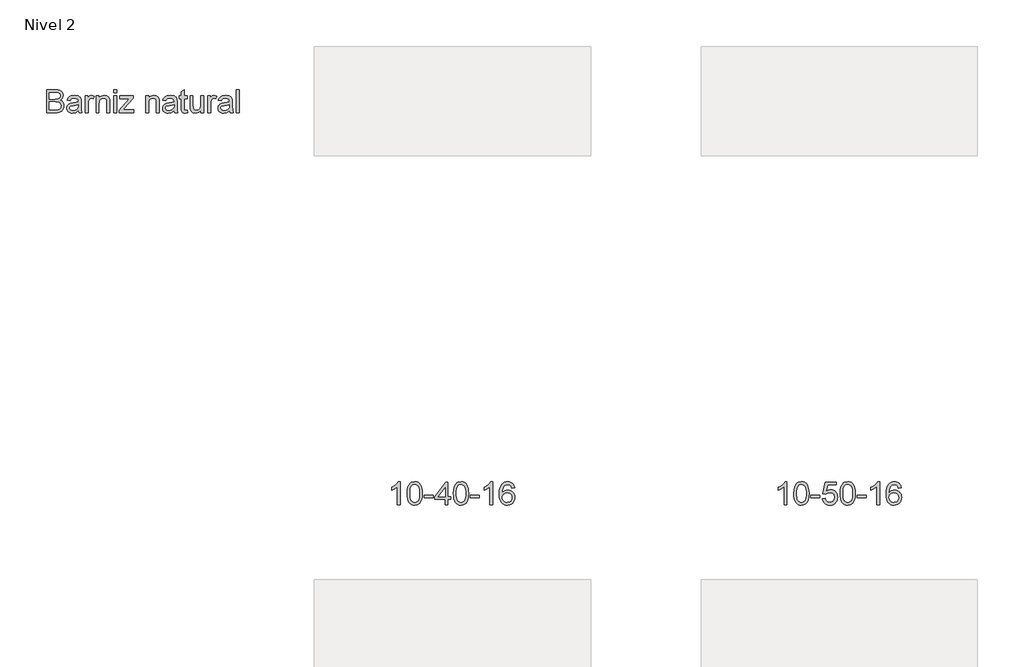
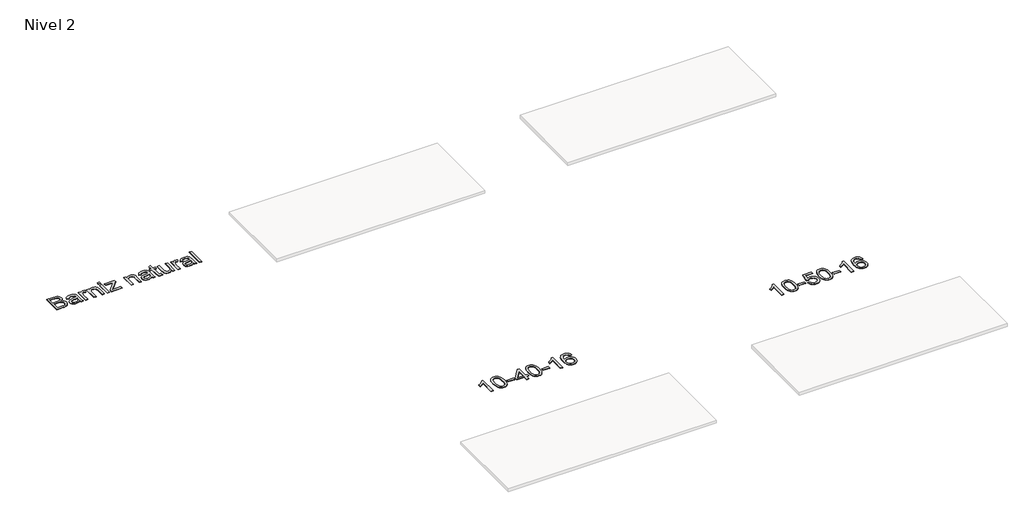
# One storey, part 10 of 51: 3 proxies.
"""IFC4 building model written with IfcOpenShell, lengths in millimetres."""

from ifc_helpers import new_model, si_unit, frame, origin, place, context, project, spatial, polyline, outline, extrude, element, save

model = new_model("IFC4")

# Units and contexts
model_context = context("Model", 3, world=origin())
ifc_project = project(units=[si_unit("LENGTHUNIT", "METRE", prefix="MILLI")], contexts=[model_context])

# Site, building, storey
site = spatial("IfcSite", under=ifc_project)
building = spatial("IfcBuilding", under=site)
storey = spatial("IfcBuildingStorey", under=building, Name="Nivel 2", Elevation=3000.0)

# Proxies
placement = place(None, origin())
element("IfcBuildingElementProxy", 1, Name="Texto de modelo 1", ObjectType="Texto de modelo 1", at=placement, inside=storey, context=model_context, shape_type="SweptSolid", body=[
    extrude(outline(polyline([(-14747.8507621, -44963.543941), (-14747.8507621, -44561.7187004), (-14594.5175465, -44561.7187004), (-14552.3460071, -44564.6740191), (-14519.4205686, -44573.5399752), (-14494.1838637, -44588.5372979), (-14475.0785254, -44609.8867163), (-14463.0487842, -44635.0007939), (-14459.0388704, -44661.2920938), (-14462.4111221, -44685.4864663), (-14472.5278769, -44708.2338364), (-14489.4627114, -44728.1362523), (-14513.289202, -44743.7957626), (-14484.8273983, -44758.6581952), (-14463.7968109, -44781.2706752), (-14450.8105765, -44810.137149), (-14446.4818317, -44843.7615634), (-14449.4371504, -44871.7819087), (-14458.3031064, -44897.7666403), (-14471.5345955, -44919.8640855), (-14487.5865133, -44936.2225715), (-14507.2436745, -44948.0683718), (-14531.2908943, -44956.6277595), (-14560.5129874, -44961.8148957), (-14595.6947689, -44963.543941), (-14747.8507621, -44963.543941)]), holes=[polyline([(-14697.622607, -44724.9602044), (-14605.8973629, -44724.9602044), (-14552.3337444, -44720.6437224), (-14533.5840254, -44713.2002433), (-14520.1072816, -44702.0534189), (-14511.9770895, -44687.3749273), (-14509.2670255, -44669.3364468), (-14511.7931485, -44651.8252638), (-14519.3715176, -44636.5704237), (-14531.6587763, -44624.6633098), (-14548.3115679, -44617.1953053), (-14573.8671039, -44613.258968), (-14612.8625954, -44611.9468555), (-14697.622607, -44611.9468555), (-14697.622607, -44724.9602044)]), polyline([(-14697.622607, -44913.315786), (-14594.6156484, -44913.315786), (-14557.3369395, -44911.3537487), (-14525.7971898, -44900.4153907), (-14514.2211697, -44890.9853489), (-14504.9014925, -44878.0972163), (-14498.7578632, -44862.3273414), (-14496.7099867, -44844.2520727), (-14499.1134824, -44823.2582735), (-14506.3239695, -44805.2075303), (-14518.9177965, -44791.0931244), (-14537.4713118, -44781.9083373), (-14563.750349, -44776.868354), (-14599.5207417, -44775.1883595), (-14697.622607, -44775.1883595), (-14697.622607, -44913.315786)])]), frame((0.0, 0.0, 3000.0), z_axis=(0.0, 0.0, 1.0), x_axis=(1.0, 0.0, 0.0)), (0.0, 0.0, 1.0), 10.0),
    extrude(outline(polyline([(-14195.3410563, -44925.8728247), (-14219.3392251, -44946.449691), (-14244.0486325, -44959.914172), (-14270.033364, -44967.3453883), (-14297.8575056, -44969.8224604), (-14320.2216652, -44968.3325383), (-14339.8328413, -44963.8627721), (-14356.6910337, -44956.4131617), (-14370.7962425, -44945.9837071), (-14381.9338699, -44933.236596), (-14389.8893181, -44918.8340159), (-14394.662587, -44902.7759668), (-14396.2536766, -44885.0624487), (-14393.8501809, -44864.2403278), (-14386.6396938, -44845.3311933), (-14375.5173948, -44829.1443855), (-14361.3784634, -44816.4892448), (-14344.76246, -44806.924313), (-14326.2089447, -44800.0081314), (-14282.7498183, -44792.4542878), (-14231.3934918, -44784.5080367), (-14195.6353619, -44775.1883595), (-14195.3410563, -44764.0047469), (-14198.799147, -44741.5884706), (-14209.1734193, -44726.9222417), (-14232.3745105, -44716.0329347), (-14264.6990751, -44712.4031657), (-14294.6201441, -44714.8189241), (-14315.5158414, -44722.0661994), (-14329.7651373, -44735.4693668), (-14339.7470021, -44756.3528014), (-14389.9751572, -44750.074282), (-14381.2563539, -44722.6057597), (-14368.245594, -44701.0233493), (-14349.7288669, -44684.5177104), (-14324.4921621, -44672.2795027), (-14293.6268627, -44664.7011336), (-14258.224352, -44662.1750106), (-14224.2688438, -44664.406828), (-14197.3521445, -44671.1022803), (-14177.0573211, -44681.1699843), (-14162.9674407, -44693.5185566), (-14153.623238, -44708.7856594), (-14147.5654479, -44727.6089548), (-14145.1129012, -44771.5585905), (-14145.1129012, -44834.0494787), (-14142.5622527, -44921.311088), (-14132.5558624, -44963.543941), (-14182.7840175, -44963.543941), (-14190.8283705, -44946.081809), (-14195.3410563, -44925.8728247)]), holes=[polyline([(-14195.3410563, -44825.4165146), (-14229.088098, -44833.7796986), (-14276.3731971, -44840.8185074), (-14319.5870688, -44848.9609623), (-14330.8319951, -44854.5282431), (-14339.1583909, -44862.2047141), (-14344.3087389, -44871.401764), (-14346.0255215, -44881.5307816), (-14342.2853879, -44896.4667906), (-14331.064987, -44908.7049983), (-14312.6095736, -44916.8719786), (-14287.1644023, -44919.5943053), (-14260.1863893, -44916.5899357), (-14236.347636, -44907.5768268), (-14217.0215685, -44894.2962868), (-14203.581613, -44878.4896238), (-14197.6219247, -44862.2047141), (-14195.6353619, -44839.6412851), (-14195.3410563, -44825.4165146)])]), frame((0.0, 0.0, 3000.0), z_axis=(0.0, 0.0, 1.0), x_axis=(1.0, 0.0, 0.0)), (0.0, 0.0, 1.0), 10.0),
    extrude(outline(polyline([(-14076.049188, -44963.543941), (-14076.049188, -44668.45353), (-14032.0995523, -44668.45353), (-14032.0995523, -44712.1088601), (-14015.8636936, -44686.7985788), (-14000.9031591, -44671.8870953), (-13985.8935737, -44664.6030318), (-13969.5105622, -44662.1750106), (-13944.4945865, -44666.0500343), (-13919.0862034, -44677.6751053), (-13935.8616224, -44722.7038615), (-13953.5199581, -44714.9783396), (-13971.1782939, -44712.4031657), (-13986.1756166, -44714.8802378), (-13999.5787839, -44722.3114541), (-14010.4067773, -44734.1327288), (-14017.6785781, -44749.7799764), (-14023.7854192, -44777.8371099), (-14025.8210329, -44808.4448919), (-14025.8210329, -44963.543941), (-14076.049188, -44963.543941)])), frame((0.0, 0.0, 3000.0), z_axis=(0.0, 0.0, 1.0), x_axis=(1.0, 0.0, 0.0)), (0.0, 0.0, 1.0), 10.0),
    extrude(outline(polyline([(-13887.6936065, -44963.543941), (-13887.6936065, -44668.45353), (-13837.4654514, -44668.45353), (-13837.4654514, -44709.6563134), (-13820.0155821, -44688.8832434), (-13799.0585711, -44674.0453363), (-13774.5944184, -44665.142592), (-13746.623124, -44662.1750106), (-13721.8646658, -44664.5662436), (-13699.1908721, -44671.7399425), (-13680.2817376, -44682.8009278), (-13666.8172566, -44696.85402), (-13657.6815203, -44713.8624309), (-13651.7586202, -44733.7893723), (-13649.1098699, -44782.3497957), (-13649.1098699, -44963.543941), (-13699.3380249, -44963.543941), (-13699.3380249, -44789.1188244), (-13700.7850274, -44763.1463555), (-13705.126035, -44744.6786794), (-13713.1335997, -44731.4471903), (-13725.5802739, -44721.1832826), (-13741.5340898, -44714.5981949), (-13760.0630796, -44712.4031657), (-13789.4813765, -44717.3327844), (-13814.5586658, -44732.1216406), (-13824.5803845, -44744.1943014), (-13831.738755, -44760.6938089), (-13836.0337773, -44781.6201631), (-13837.4654514, -44806.9733639), (-13837.4654514, -44963.543941), (-13887.6936065, -44963.543941)])), frame((0.0, 0.0, 3000.0), z_axis=(0.0, 0.0, 1.0), x_axis=(1.0, 0.0, 0.0)), (0.0, 0.0, 1.0), 10.0),
    extrude(outline(polyline([(-13580.0461566, -44611.9468555), (-13580.0461566, -44561.7187004), (-13529.8180016, -44561.7187004), (-13529.8180016, -44611.9468555), (-13580.0461566, -44611.9468555)])), frame((0.0, 0.0, 3000.0), z_axis=(0.0, 0.0, 1.0), x_axis=(1.0, 0.0, 0.0)), (0.0, 0.0, 1.0), 10.0),
    extrude(outline(polyline([(-13580.0461566, -44963.543941), (-13580.0461566, -44668.45353), (-13529.8180016, -44668.45353), (-13529.8180016, -44963.543941), (-13580.0461566, -44963.543941)])), frame((0.0, 0.0, 3000.0), z_axis=(0.0, 0.0, 1.0), x_axis=(1.0, 0.0, 0.0)), (0.0, 0.0, 1.0), 10.0),
    extrude(outline(polyline([(-13485.8683659, -44963.543941), (-13485.8683659, -44916.2588419), (-13312.5223697, -44718.681685), (-13363.8296453, -44718.681685), (-13473.3113271, -44718.681685), (-13473.3113271, -44668.45353), (-13241.0061099, -44668.45353), (-13241.0061099, -44711.1278414), (-13394.7317329, -44886.4358748), (-13418.2761806, -44913.315786), (-13360.1998763, -44913.315786), (-13234.7275905, -44913.315786), (-13234.7275905, -44963.543941), (-13485.8683659, -44963.543941)])), frame((0.0, 0.0, 3000.0), z_axis=(0.0, 0.0, 1.0), x_axis=(1.0, 0.0, 0.0)), (0.0, 0.0, 1.0), 10.0),
    extrude(outline(polyline([(-13027.5364508, -44963.543941), (-13027.5364508, -44668.45353), (-12977.3082957, -44668.45353), (-12977.3082957, -44709.6563134), (-12959.8584264, -44688.8832434), (-12938.9014154, -44674.0453363), (-12914.4372628, -44665.142592), (-12886.4659684, -44662.1750106), (-12861.7075101, -44664.5662436), (-12839.0337165, -44671.7399425), (-12820.1245819, -44682.8009278), (-12806.6601009, -44696.85402), (-12797.5243647, -44713.8624309), (-12791.6014646, -44733.7893723), (-12788.9527142, -44782.3497957), (-12788.9527142, -44963.543941), (-12839.1808693, -44963.543941), (-12839.1808693, -44789.1188244), (-12840.6278718, -44763.1463555), (-12844.9688793, -44744.6786794), (-12852.9764441, -44731.4471903), (-12865.4231183, -44721.1832826), (-12881.3769341, -44714.5981949), (-12899.9059239, -44712.4031657), (-12929.3242208, -44717.3327844), (-12954.4015102, -44732.1216406), (-12964.4232288, -44744.1943014), (-12971.5815993, -44760.6938089), (-12975.8766216, -44781.6201631), (-12977.3082957, -44806.9733639), (-12977.3082957, -44963.543941), (-13027.5364508, -44963.543941)])), frame((0.0, 0.0, 3000.0), z_axis=(0.0, 0.0, 1.0), x_axis=(1.0, 0.0, 0.0)), (0.0, 0.0, 1.0), 10.0),
    extrude(outline(polyline([(-12531.5334194, -44925.8728247), (-12555.5315883, -44946.449691), (-12580.2409956, -44959.914172), (-12606.2257272, -44967.3453883), (-12634.0498688, -44969.8224604), (-12656.4140284, -44968.3325383), (-12676.0252044, -44963.8627721), (-12692.8833968, -44956.4131617), (-12706.9886057, -44945.9837071), (-12718.1262331, -44933.236596), (-12726.0816812, -44918.8340159), (-12730.8549501, -44902.7759668), (-12732.4460397, -44885.0624487), (-12730.042544, -44864.2403278), (-12722.8320569, -44845.3311933), (-12711.7097579, -44829.1443855), (-12697.5708266, -44816.4892448), (-12680.9548231, -44806.924313), (-12662.4013079, -44800.0081314), (-12618.9421815, -44792.4542878), (-12567.585855, -44784.5080367), (-12531.827725, -44775.1883595), (-12531.5334194, -44764.0047469), (-12534.9915102, -44741.5884706), (-12545.3657825, -44726.9222417), (-12568.5668736, -44716.0329347), (-12600.8914383, -44712.4031657), (-12630.8125072, -44714.8189241), (-12651.7082045, -44722.0661994), (-12665.9575005, -44735.4693668), (-12675.9393653, -44756.3528014), (-12726.1675204, -44750.074282), (-12717.4487171, -44722.6057597), (-12704.4379572, -44701.0233493), (-12685.9212301, -44684.5177104), (-12660.6845252, -44672.2795027), (-12629.8192258, -44664.7011336), (-12594.4167151, -44662.1750106), (-12560.461207, -44664.406828), (-12533.5445077, -44671.1022803), (-12513.2496843, -44681.1699843), (-12499.1598039, -44693.5185566), (-12489.8156012, -44708.7856594), (-12483.757811, -44727.6089548), (-12481.3052644, -44771.5585905), (-12481.3052644, -44834.0494787), (-12478.7546159, -44921.311088), (-12468.7482256, -44963.543941), (-12518.9763807, -44963.543941), (-12527.0207336, -44946.081809), (-12531.5334194, -44925.8728247)]), holes=[polyline([(-12531.5334194, -44825.4165146), (-12565.2804611, -44833.7796986), (-12612.5655602, -44840.8185074), (-12655.7794319, -44848.9609623), (-12667.0243583, -44854.5282431), (-12675.3507541, -44862.2047141), (-12680.501102, -44871.401764), (-12682.2178847, -44881.5307816), (-12678.477751, -44896.4667906), (-12667.2573502, -44908.7049983), (-12648.8019368, -44916.8719786), (-12623.3567654, -44919.5943053), (-12596.3787525, -44916.5899357), (-12572.5399992, -44907.5768268), (-12553.2139317, -44894.2962868), (-12539.7739761, -44878.4896238), (-12533.8142878, -44862.2047141), (-12531.827725, -44839.6412851), (-12531.5334194, -44825.4165146)])]), frame((0.0, 0.0, 3000.0), z_axis=(0.0, 0.0, 1.0), x_axis=(1.0, 0.0, 0.0)), (0.0, 0.0, 1.0), 10.0),
    extrude(outline(polyline([(-12305.5067216, -44921.6544445), (-12299.2282022, -44965.015469), (-12336.8012167, -44969.8224604), (-12360.9097501, -44967.7377958), (-12378.8869169, -44961.4838019), (-12391.5911085, -44951.8452936), (-12399.8807161, -44939.6070859), (-12404.4424528, -44918.5887612), (-12405.9630318, -44882.6099021), (-12405.9630318, -44718.681685), (-12443.6341481, -44718.681685), (-12443.6341481, -44668.45353), (-12405.9630318, -44668.45353), (-12405.9630318, -44596.7410664), (-12355.7348767, -44567.2124049), (-12355.7348767, -44668.45353), (-12305.5067216, -44668.45353), (-12305.5067216, -44718.681685), (-12355.7348767, -44718.681685), (-12355.7348767, -44881.1383741), (-12353.0861263, -44907.0372666), (-12344.5022131, -44916.209791), (-12327.3834376, -44919.5943053), (-12305.5067216, -44921.6544445)])), frame((0.0, 0.0, 3000.0), z_axis=(0.0, 0.0, 1.0), x_axis=(1.0, 0.0, 0.0)), (0.0, 0.0, 1.0), 10.0),
    extrude(outline(polyline([(-12066.922985, -44963.543941), (-12066.922985, -44912.8252766), (-12085.0963556, -44937.7615445), (-12106.261833, -44955.5731645), (-12130.4194174, -44966.2601364), (-12157.5691086, -44969.8224604), (-12182.0332613, -44967.3208629), (-12204.8051568, -44959.8160702), (-12223.9104951, -44948.5343556), (-12237.3749761, -44934.7019926), (-12246.4371359, -44917.9020482), (-12252.3355106, -44897.7175894), (-12255.2785665, -44851.0211014), (-12255.2785665, -44668.45353), (-12205.0504115, -44668.45353), (-12205.0504115, -44827.3785519), (-12202.0092536, -44878.5877256), (-12194.6884019, -44895.6697129), (-12182.1436259, -44908.6559474), (-12165.2087914, -44916.8597158), (-12144.7177642, -44919.5943053), (-12123.0495147, -44916.7984022), (-12102.7792168, -44908.4106927), (-12086.0651115, -44895.2037291), (-12075.0654398, -44877.9500635), (-12068.9585987, -44854.3197767), (-12066.922985, -44821.9829493), (-12066.922985, -44668.45353), (-12016.6948299, -44668.45353), (-12016.6948299, -44963.543941), (-12066.922985, -44963.543941)])), frame((0.0, 0.0, 3000.0), z_axis=(0.0, 0.0, 1.0), x_axis=(1.0, 0.0, 0.0)), (0.0, 0.0, 1.0), 10.0),
    extrude(outline(polyline([(-11947.6311167, -44963.543941), (-11947.6311167, -44668.45353), (-11903.681481, -44668.45353), (-11903.681481, -44712.1088601), (-11887.4456223, -44686.7985788), (-11872.4850878, -44671.8870953), (-11857.4755024, -44664.6030318), (-11841.0924909, -44662.1750106), (-11816.0765152, -44666.0500343), (-11790.6681321, -44677.6751053), (-11807.4435511, -44722.7038615), (-11825.1018868, -44714.9783396), (-11842.7602226, -44712.4031657), (-11857.7575453, -44714.8802378), (-11871.1607126, -44722.3114541), (-11881.988706, -44734.1327288), (-11889.2605068, -44749.7799764), (-11895.3673479, -44777.8371099), (-11897.4029616, -44808.4448919), (-11897.4029616, -44963.543941), (-11947.6311167, -44963.543941)])), frame((0.0, 0.0, 3000.0), z_axis=(0.0, 0.0, 1.0), x_axis=(1.0, 0.0, 0.0)), (0.0, 0.0, 1.0), 10.0),
    extrude(outline(polyline([(-11570.9199536, -44925.8728247), (-11594.9181225, -44946.449691), (-11619.6275298, -44959.914172), (-11645.6122614, -44967.3453883), (-11673.436403, -44969.8224604), (-11695.8005626, -44968.3325383), (-11715.4117386, -44963.8627721), (-11732.269931, -44956.4131617), (-11746.3751399, -44945.9837071), (-11757.5127673, -44933.236596), (-11765.4682154, -44918.8340159), (-11770.2414843, -44902.7759668), (-11771.8325739, -44885.0624487), (-11769.4290782, -44864.2403278), (-11762.2185911, -44845.3311933), (-11751.0962921, -44829.1443855), (-11736.9573608, -44816.4892448), (-11720.3413573, -44806.924313), (-11701.7878421, -44800.0081314), (-11658.3287157, -44792.4542878), (-11606.9723892, -44784.5080367), (-11571.2142592, -44775.1883595), (-11570.9199536, -44764.0047469), (-11574.3780444, -44741.5884706), (-11584.7523167, -44726.9222417), (-11607.9534078, -44716.0329347), (-11640.2779725, -44712.4031657), (-11670.1990414, -44714.8189241), (-11691.0947387, -44722.0661994), (-11705.3440347, -44735.4693668), (-11715.3258995, -44756.3528014), (-11765.5540545, -44750.074282), (-11756.8352513, -44722.6057597), (-11743.8244914, -44701.0233493), (-11725.3077643, -44684.5177104), (-11700.0710594, -44672.2795027), (-11669.20576, -44664.7011336), (-11633.8032493, -44662.1750106), (-11599.8477412, -44664.406828), (-11572.9310419, -44671.1022803), (-11552.6362185, -44681.1699843), (-11538.5463381, -44693.5185566), (-11529.2021354, -44708.7856594), (-11523.1443452, -44727.6089548), (-11520.6917986, -44771.5585905), (-11520.6917986, -44834.0494787), (-11518.1411501, -44921.311088), (-11508.1347598, -44963.543941), (-11558.3629149, -44963.543941), (-11566.4072678, -44946.081809), (-11570.9199536, -44925.8728247)]), holes=[polyline([(-11570.9199536, -44825.4165146), (-11604.6669953, -44833.7796986), (-11651.9520944, -44840.8185074), (-11695.1659661, -44848.9609623), (-11706.4108925, -44854.5282431), (-11714.7372883, -44862.2047141), (-11719.8876362, -44871.401764), (-11721.6044189, -44881.5307816), (-11717.8642852, -44896.4667906), (-11706.6438844, -44908.7049983), (-11688.188471, -44916.8719786), (-11662.7432996, -44919.5943053), (-11635.7652867, -44916.5899357), (-11611.9265334, -44907.5768268), (-11592.6004659, -44894.2962868), (-11579.1605103, -44878.4896238), (-11573.200822, -44862.2047141), (-11571.2142592, -44839.6412851), (-11570.9199536, -44825.4165146)])]), frame((0.0, 0.0, 3000.0), z_axis=(0.0, 0.0, 1.0), x_axis=(1.0, 0.0, 0.0)), (0.0, 0.0, 1.0), 10.0),
    extrude(outline(polyline([(-11451.6280853, -44963.543941), (-11451.6280853, -44561.7187004), (-11401.3999303, -44561.7187004), (-11401.3999303, -44963.543941), (-11451.6280853, -44963.543941)])), frame((0.0, 0.0, 3000.0), z_axis=(0.0, 0.0, 1.0), x_axis=(1.0, 0.0, 0.0)), (0.0, 0.0, 1.0), 10.0),
])
element("IfcBuildingElementProxy", 2, Name="Texto de modelo 1", ObjectType="Texto de modelo 1", at=placement, inside=storey, context=model_context, shape_type="SweptSolid", body=[
    extrude(outline(polyline([(-8605.2655998, -51771.9246439), (-8655.4937549, -51771.9246439), (-8655.4937549, -51458.7834896), (-8676.4630286, -51475.7428496), (-8703.0731596, -51492.6776841), (-8755.950065, -51518.0370163), (-8755.950065, -51470.5557135), (-8716.5008524, -51449.0959304), (-8682.3246151, -51423.56492), (-8655.3833903, -51396.4152287), (-8637.6392154, -51370.0994033), (-8605.2655998, -51370.0994033), (-8605.2655998, -51771.9246439)])), frame((0.0, 0.0, 3000.0), z_axis=(0.0, 0.0, 1.0), x_axis=(1.0, 0.0, 0.0)), (0.0, 0.0, 1.0), 10.0),
    extrude(outline(polyline([(-8485.9737315, -51574.2493852), (-8482.2826488, -51509.9313497), (-8471.2094008, -51458.6363368), (-8452.8643519, -51419.5795317), (-8441.006289, -51404.3461514), (-8427.357867, -51391.9761193), (-8411.8731006, -51382.4050561), (-8394.5060048, -51375.5685823), (-8354.1248244, -51370.0994033), (-8323.1736859, -51373.3367649), (-8295.4599089, -51383.0488496), (-8272.2833433, -51398.8555126), (-8254.9438385, -51420.3766093), (-8241.8472395, -51447.4281987), (-8231.3993909, -51479.8263398), (-8224.5567857, -51520.9678096), (-8222.2759174, -51574.2493852), (-8225.9302119, -51638.1995387), (-8236.8930953, -51689.3719242), (-8255.1277795, -51728.4655176), (-8266.9582514, -51743.7448831), (-8280.5974763, -51756.1792945), (-8296.1006368, -51765.8147371), (-8313.5229149, -51772.6971961), (-8354.1248244, -51778.2031633), (-8381.7895505, -51775.8119304), (-8406.3150168, -51768.6382314), (-8427.7012235, -51756.6820666), (-8445.9481704, -51739.9434358), (-8463.4593534, -51709.6851417), (-8475.9673412, -51671.9833686), (-8483.4721339, -51626.8381164), (-8485.9737315, -51574.2493852)]), holes=[polyline([(-8435.7455764, -51574.1512833), (-8434.2740485, -51617.8158105), (-8429.8594645, -51653.1600732), (-8422.5018246, -51680.1840714), (-8412.2011287, -51698.8878052), (-8399.7421918, -51711.6134565), (-8385.9098288, -51720.7032075), (-8370.7040397, -51726.1570581), (-8354.1248244, -51727.9750082), (-8337.5456092, -51726.1509267), (-8322.3398201, -51720.678682), (-8308.507457, -51711.5582742), (-8296.0485201, -51698.7897033), (-8285.7478243, -51680.0553127), (-8278.3901844, -51653.0374458), (-8273.9756004, -51617.7361027), (-8272.5040724, -51574.1512833), (-8273.9265495, -51531.6425188), (-8278.1939806, -51496.9205898), (-8285.3063659, -51469.9854964), (-8295.2637052, -51450.8372385), (-8307.5141757, -51437.4892535), (-8321.5059542, -51427.9549784), (-8337.2390409, -51422.2344134), (-8354.7134356, -51420.3275584), (-8371.2068118, -51422.0075529), (-8386.1550835, -51427.0475362), (-8399.5582508, -51435.4475084), (-8411.4163138, -51447.2074695), (-8422.0603662, -51468.0541159), (-8429.6632608, -51496.1603004), (-8434.2249975, -51531.5260228), (-8435.7455764, -51574.1512833)])]), frame((0.0, 0.0, 3000.0), z_axis=(0.0, 0.0, 1.0), x_axis=(1.0, 0.0, 0.0)), (0.0, 0.0, 1.0), 10.0),
    extrude(outline(polyline([(-8190.8833205, -51652.6327756), (-8190.8833205, -51602.4046206), (-8033.9203358, -51602.4046206), (-8033.9203358, -51652.6327756), (-8190.8833205, -51652.6327756)])), frame((0.0, 0.0, 3000.0), z_axis=(0.0, 0.0, 1.0), x_axis=(1.0, 0.0, 0.0)), (0.0, 0.0, 1.0), 10.0),
    extrude(outline(polyline([(-7826.7291962, -51771.9246439), (-7826.7291962, -51677.7468532), (-8008.8062583, -51677.7468532), (-8008.8062583, -51627.5186981), (-7814.1721574, -51376.3779227), (-7776.5010411, -51376.3779227), (-7776.5010411, -51627.5186981), (-7726.272886, -51627.5186981), (-7726.272886, -51677.7468532), (-7776.5010411, -51677.7468532), (-7776.5010411, -51771.9246439), (-7826.7291962, -51771.9246439)]), holes=[polyline([(-7826.7291962, -51627.5186981), (-7826.7291962, -51472.3215471), (-7947.0020831, -51627.5186981), (-7826.7291962, -51627.5186981)])]), frame((0.0, 0.0, 3000.0), z_axis=(0.0, 0.0, 1.0), x_axis=(1.0, 0.0, 0.0)), (0.0, 0.0, 1.0), 10.0),
    extrude(outline(polyline([(-7682.3232503, -51574.2493852), (-7678.6321676, -51509.9313497), (-7667.5589196, -51458.6363368), (-7649.2138708, -51419.5795317), (-7637.3558078, -51404.3461514), (-7623.7073858, -51391.9761193), (-7608.2226194, -51382.4050561), (-7590.8555236, -51375.5685823), (-7550.4743432, -51370.0994033), (-7519.5232047, -51373.3367649), (-7491.8094277, -51383.0488496), (-7468.6328621, -51398.8555126), (-7451.2933573, -51420.3766093), (-7438.1967583, -51447.4281987), (-7427.7489097, -51479.8263398), (-7420.9063045, -51520.9678096), (-7418.6254362, -51574.2493852), (-7422.2797307, -51638.1995387), (-7433.2426141, -51689.3719242), (-7451.4772983, -51728.4655176), (-7463.3077702, -51743.7448831), (-7476.9469951, -51756.1792945), (-7492.4501556, -51765.8147371), (-7509.8724337, -51772.6971961), (-7550.4743432, -51778.2031633), (-7578.1390693, -51775.8119304), (-7602.6645356, -51768.6382314), (-7624.0507423, -51756.6820666), (-7642.2976892, -51739.9434358), (-7659.8088722, -51709.6851417), (-7672.31686, -51671.9833686), (-7679.8216528, -51626.8381164), (-7682.3232503, -51574.2493852)]), holes=[polyline([(-7632.0950952, -51574.1512833), (-7630.6235673, -51617.8158105), (-7626.2089833, -51653.1600732), (-7618.8513434, -51680.1840714), (-7608.5506476, -51698.8878052), (-7596.0917106, -51711.6134565), (-7582.2593476, -51720.7032075), (-7567.0535585, -51726.1570581), (-7550.4743432, -51727.9750082), (-7533.895128, -51726.1509267), (-7518.6893389, -51720.678682), (-7504.8569758, -51711.5582742), (-7492.3980389, -51698.7897033), (-7482.0973431, -51680.0553127), (-7474.7397032, -51653.0374458), (-7470.3251192, -51617.7361027), (-7468.8535913, -51574.1512833), (-7470.2760683, -51531.6425188), (-7474.5434994, -51496.9205898), (-7481.6558847, -51469.9854964), (-7491.613224, -51450.8372385), (-7503.8636945, -51437.4892535), (-7517.855473, -51427.9549784), (-7533.5885597, -51422.2344134), (-7551.0629544, -51420.3275584), (-7567.5563306, -51422.0075529), (-7582.5046023, -51427.0475362), (-7595.9077697, -51435.4475084), (-7607.7658326, -51447.2074695), (-7618.409885, -51468.0541159), (-7626.0127796, -51496.1603004), (-7630.5745163, -51531.5260228), (-7632.0950952, -51574.1512833)])]), frame((0.0, 0.0, 3000.0), z_axis=(0.0, 0.0, 1.0), x_axis=(1.0, 0.0, 0.0)), (0.0, 0.0, 1.0), 10.0),
    extrude(outline(polyline([(-7387.2328393, -51652.6327756), (-7387.2328393, -51602.4046206), (-7230.2698546, -51602.4046206), (-7230.2698546, -51652.6327756), (-7387.2328393, -51652.6327756)])), frame((0.0, 0.0, 3000.0), z_axis=(0.0, 0.0, 1.0), x_axis=(1.0, 0.0, 0.0)), (0.0, 0.0, 1.0), 10.0),
    extrude(outline(polyline([(-6997.9646374, -51771.9246439), (-7048.1927925, -51771.9246439), (-7048.1927925, -51458.7834896), (-7069.1620662, -51475.7428496), (-7095.7721972, -51492.6776841), (-7148.6491026, -51518.0370163), (-7148.6491026, -51470.5557135), (-7109.19989, -51449.0959304), (-7075.0236527, -51423.56492), (-7048.0824279, -51396.4152287), (-7030.338253, -51370.0994033), (-6997.9646374, -51370.0994033), (-6997.9646374, -51771.9246439)])), frame((0.0, 0.0, 3000.0), z_axis=(0.0, 0.0, 1.0), x_axis=(1.0, 0.0, 0.0)), (0.0, 0.0, 1.0), 10.0),
    extrude(outline(polyline([(-6621.2534744, -51476.8342329), (-6671.4816294, -51483.1127523), (-6679.5750333, -51458.2194039), (-6690.5133913, -51441.2232557), (-6713.2975496, -51425.5514827), (-6740.8396483, -51420.3275584), (-6764.1878922, -51423.3687162), (-6786.1627101, -51432.4921897), (-6805.0350564, -51451.7078926), (-6820.449312, -51478.1586081), (-6830.8603725, -51515.572207), (-6834.7231334, -51567.6765602), (-6814.5754628, -51544.1689007), (-6790.4301412, -51527.6019482), (-6763.6360692, -51517.7794989), (-6735.5421475, -51514.5053492), (-6711.4090886, -51516.743298), (-6689.1399652, -51523.4571444), (-6668.7347772, -51534.6468884), (-6650.1935247, -51550.31253), (-6634.7854004, -51569.5221016), (-6623.7795974, -51591.3436352), (-6617.1761156, -51615.7771311), (-6614.974955, -51642.8225891), (-6619.1197588, -51678.7891855), (-6631.5541702, -51712.131557), (-6651.2481197, -51740.4094197), (-6677.1715376, -51761.1824897), (-6708.1472016, -51773.9479949), (-6742.9978893, -51778.2031633), (-6772.940418, -51775.3827347), (-6799.9828104, -51766.9214488), (-6824.1250663, -51752.8193057), (-6845.3671858, -51733.0763052), (-6862.6852307, -51706.8585817), (-6875.0552628, -51673.3322692), (-6882.4772821, -51632.4973678), (-6884.9512885, -51584.3538773), (-6882.2044363, -51530.3794573), (-6873.9638796, -51484.3145001), (-6860.2296184, -51446.1590058), (-6841.0016528, -51415.9129745), (-6820.1611378, -51395.8695371), (-6795.9974221, -51381.5527961), (-6768.5105057, -51372.9627515), (-6737.7003886, -51370.0994033), (-6714.5667424, -51371.8713683), (-6693.6281255, -51377.1872631), (-6674.8845379, -51386.0470878), (-6658.3359795, -51398.4508424), (-6644.4300401, -51413.981594), (-6633.6143094, -51432.2224096), (-6625.8887875, -51453.1732892), (-6621.2534744, -51476.8342329)]), holes=[polyline([(-6834.7231334, -51642.0377742), (-6831.8168657, -51664.2946349), (-6823.0980624, -51685.5459515), (-6809.560005, -51703.8174239), (-6792.1959748, -51717.1347521), (-6771.2389638, -51725.2649442), (-6746.9219639, -51727.9750082), (-6713.7757962, -51722.3586765), (-6699.8606597, -51715.3382617), (-6687.7174882, -51705.5096811), (-6677.8674477, -51693.2714734), (-6670.8317046, -51679.0221774), (-6665.2031101, -51644.4903208), (-6670.7581282, -51611.344153), (-6677.7019008, -51597.7233222), (-6687.4231826, -51586.07066), (-6699.6031423, -51576.7356543), (-6713.9229489, -51570.0677932), (-6748.9821031, -51564.7335043), (-6782.0792199, -51570.0677932), (-6809.7562087, -51586.07066), (-6820.6792383, -51597.570038), (-6828.4814022, -51610.7310164), (-6833.1627006, -51625.5535951), (-6834.7231334, -51642.0377742)])]), frame((0.0, 0.0, 3000.0), z_axis=(0.0, 0.0, 1.0), x_axis=(1.0, 0.0, 0.0)), (0.0, 0.0, 1.0), 10.0),
])
element("IfcBuildingElementProxy", 3, Name="Texto de modelo 1", ObjectType="Texto de modelo 1", at=placement, inside=storey, context=model_context, shape_type="SweptSolid", body=[
    extrude(outline(polyline([(-1890.325065, -51771.9246439), (-1940.5532201, -51771.9246439), (-1940.5532201, -51458.7834896), (-1961.5224938, -51475.7428496), (-1988.1326248, -51492.6776841), (-2041.0095302, -51518.0370163), (-2041.0095302, -51470.5557135), (-2001.5603176, -51449.0959304), (-1967.3840803, -51423.56492), (-1940.4428555, -51396.4152287), (-1922.6986806, -51370.0994033), (-1890.325065, -51370.0994033), (-1890.325065, -51771.9246439)])), frame((0.0, 0.0, 3000.0), z_axis=(0.0, 0.0, 1.0), x_axis=(1.0, 0.0, 0.0)), (0.0, 0.0, 1.0), 10.0),
    extrude(outline(polyline([(-1771.0331967, -51574.2493852), (-1767.342114, -51509.9313497), (-1756.268866, -51458.6363368), (-1737.9238171, -51419.5795317), (-1726.0657541, -51404.3461514), (-1712.4173321, -51391.9761193), (-1696.9325658, -51382.4050561), (-1679.56547, -51375.5685823), (-1639.1842896, -51370.0994033), (-1608.2331511, -51373.3367649), (-1580.5193741, -51383.0488496), (-1557.3428084, -51398.8555126), (-1540.0033037, -51420.3766093), (-1526.9067047, -51447.4281987), (-1516.458856, -51479.8263398), (-1509.6162509, -51520.9678096), (-1507.3353825, -51574.2493852), (-1510.989677, -51638.1995387), (-1521.9525605, -51689.3719242), (-1540.1872447, -51728.4655176), (-1552.0177165, -51743.7448831), (-1565.6569415, -51756.1792945), (-1581.1601019, -51765.8147371), (-1598.5823801, -51772.6971961), (-1639.1842896, -51778.2031633), (-1666.8490157, -51775.8119304), (-1691.374482, -51768.6382314), (-1712.7606887, -51756.6820666), (-1731.0076356, -51739.9434358), (-1748.5188186, -51709.6851417), (-1761.0268064, -51671.9833686), (-1768.5315991, -51626.8381164), (-1771.0331967, -51574.2493852)]), holes=[polyline([(-1720.8050416, -51574.1512833), (-1719.3335136, -51617.8158105), (-1714.9189297, -51653.1600732), (-1707.5612898, -51680.1840714), (-1697.2605939, -51698.8878052), (-1684.801657, -51711.6134565), (-1670.969294, -51720.7032075), (-1655.7635049, -51726.1570581), (-1639.1842896, -51727.9750082), (-1622.6050744, -51726.1509267), (-1607.3992852, -51720.678682), (-1593.5669222, -51711.5582742), (-1581.1079853, -51698.7897033), (-1570.8072894, -51680.0553127), (-1563.4496495, -51653.0374458), (-1559.0350656, -51617.7361027), (-1557.5635376, -51574.1512833), (-1558.9860147, -51531.6425188), (-1563.2534458, -51496.9205898), (-1570.3658311, -51469.9854964), (-1580.3231704, -51450.8372385), (-1592.5736408, -51437.4892535), (-1606.5654194, -51427.9549784), (-1622.298506, -51422.2344134), (-1639.7729008, -51420.3275584), (-1656.2662769, -51422.0075529), (-1671.2145487, -51427.0475362), (-1684.617716, -51435.4475084), (-1696.475779, -51447.2074695), (-1707.1198314, -51468.0541159), (-1714.722726, -51496.1603004), (-1719.2844627, -51531.5260228), (-1720.8050416, -51574.1512833)])]), frame((0.0, 0.0, 3000.0), z_axis=(0.0, 0.0, 1.0), x_axis=(1.0, 0.0, 0.0)), (0.0, 0.0, 1.0), 10.0),
    extrude(outline(polyline([(-1475.9427856, -51652.6327756), (-1475.9427856, -51602.4046206), (-1318.979801, -51602.4046206), (-1318.979801, -51652.6327756), (-1475.9427856, -51652.6327756)])), frame((0.0, 0.0, 3000.0), z_axis=(0.0, 0.0, 1.0), x_axis=(1.0, 0.0, 0.0)), (0.0, 0.0, 1.0), 10.0),
    extrude(outline(polyline([(-1275.0301653, -51665.1898144), (-1224.8020103, -51658.911295), (-1215.5804349, -51689.0653559), (-1199.491729, -51710.660029), (-1176.6094689, -51723.6462634), (-1147.007231, -51727.9750082), (-1127.8773673, -51726.4697577), (-1111.0038464, -51721.9540063), (-1096.3866685, -51714.4277538), (-1084.0258334, -51703.8910003), (-1074.1972528, -51690.864912), (-1067.1768381, -51675.870655), (-1061.5605063, -51639.977635), (-1066.8212188, -51606.1815424), (-1073.3971095, -51592.2633402), (-1082.6033564, -51580.3317008), (-1094.4706164, -51570.7606376), (-1109.0295464, -51563.9241639), (-1146.2224161, -51558.4549849), (-1170.5884669, -51560.6377514), (-1190.3192046, -51567.1860509), (-1206.0768167, -51577.2169666), (-1218.5234909, -51589.8475818), (-1268.7516459, -51583.5690624), (-1224.8020103, -51376.3779227), (-1030.1679093, -51376.3779227), (-1030.1679093, -51426.6060778), (-1184.187838, -51426.6060778), (-1205.6721465, -51537.2649819), (-1187.9463657, -51524.5607904), (-1169.7913892, -51515.4863678), (-1151.2072171, -51510.0417143), (-1132.1938493, -51508.2268298), (-1107.7327623, -51510.4770413), (-1085.2643695, -51517.2276759), (-1064.7886708, -51528.4787336), (-1046.3056662, -51544.2302144), (-1031.0048409, -51563.5194937), (-1020.0756799, -51585.3839469), (-1013.5181834, -51609.8235741), (-1011.3323512, -51636.8383753), (-1013.3005199, -51662.8598951), (-1019.2050259, -51687.0665304), (-1029.0458693, -51709.4582812), (-1042.82305, -51730.0351474), (-1063.6942218, -51751.1086544), (-1088.0480099, -51766.1611593), (-1115.8844142, -51775.1926623), (-1147.2034347, -51778.2031633), (-1173.123787, -51776.2687172), (-1196.5364103, -51770.4653787), (-1217.4413047, -51760.7931479), (-1235.8384701, -51747.2520248), (-1251.1454268, -51730.5164597), (-1262.7796949, -51711.2609029), (-1270.7412744, -51689.4853545), (-1275.0301653, -51665.1898144)])), frame((0.0, 0.0, 3000.0), z_axis=(0.0, 0.0, 1.0), x_axis=(1.0, 0.0, 0.0)), (0.0, 0.0, 1.0), 10.0),
    extrude(outline(polyline([(-967.3827155, -51574.2493852), (-963.6916328, -51509.9313497), (-952.6183848, -51458.6363368), (-934.2733359, -51419.5795317), (-922.415273, -51404.3461514), (-908.7668509, -51391.9761193), (-893.2820846, -51382.4050561), (-875.9149888, -51375.5685823), (-835.5338084, -51370.0994033), (-804.5826699, -51373.3367649), (-776.8688929, -51383.0488496), (-753.6923272, -51398.8555126), (-736.3528225, -51420.3766093), (-723.2562235, -51447.4281987), (-712.8083748, -51479.8263398), (-705.9657697, -51520.9678096), (-703.6849014, -51574.2493852), (-707.3391958, -51638.1995387), (-718.3020793, -51689.3719242), (-736.5367635, -51728.4655176), (-748.3672353, -51743.7448831), (-762.0064603, -51756.1792945), (-777.5096207, -51765.8147371), (-794.9318989, -51772.6971961), (-835.5338084, -51778.2031633), (-863.1985345, -51775.8119304), (-887.7240008, -51768.6382314), (-909.1102075, -51756.6820666), (-927.3571544, -51739.9434358), (-944.8683374, -51709.6851417), (-957.3763252, -51671.9833686), (-964.8811179, -51626.8381164), (-967.3827155, -51574.2493852)]), holes=[polyline([(-917.1545604, -51574.1512833), (-915.6830324, -51617.8158105), (-911.2684485, -51653.1600732), (-903.9108086, -51680.1840714), (-893.6101127, -51698.8878052), (-881.1511758, -51711.6134565), (-867.3188128, -51720.7032075), (-852.1130237, -51726.1570581), (-835.5338084, -51727.9750082), (-818.9545932, -51726.1509267), (-803.748804, -51720.678682), (-789.916441, -51711.5582742), (-777.4575041, -51698.7897033), (-767.1568083, -51680.0553127), (-759.7991683, -51653.0374458), (-755.3845844, -51617.7361027), (-753.9130564, -51574.1512833), (-755.3355335, -51531.6425188), (-759.6029646, -51496.9205898), (-766.7153499, -51469.9854964), (-776.6726892, -51450.8372385), (-788.9231596, -51437.4892535), (-802.9149382, -51427.9549784), (-818.6480248, -51422.2344134), (-836.1224196, -51420.3275584), (-852.6157957, -51422.0075529), (-867.5640675, -51427.0475362), (-880.9672348, -51435.4475084), (-892.8252978, -51447.2074695), (-903.4693502, -51468.0541159), (-911.0722448, -51496.1603004), (-915.6339815, -51531.5260228), (-917.1545604, -51574.1512833)])]), frame((0.0, 0.0, 3000.0), z_axis=(0.0, 0.0, 1.0), x_axis=(1.0, 0.0, 0.0)), (0.0, 0.0, 1.0), 10.0),
    extrude(outline(polyline([(-672.2923044, -51652.6327756), (-672.2923044, -51602.4046206), (-515.3293198, -51602.4046206), (-515.3293198, -51652.6327756), (-672.2923044, -51652.6327756)])), frame((0.0, 0.0, 3000.0), z_axis=(0.0, 0.0, 1.0), x_axis=(1.0, 0.0, 0.0)), (0.0, 0.0, 1.0), 10.0),
    extrude(outline(polyline([(-283.0241026, -51771.9246439), (-333.2522577, -51771.9246439), (-333.2522577, -51458.7834896), (-354.2215314, -51475.7428496), (-380.8316624, -51492.6776841), (-433.7085678, -51518.0370163), (-433.7085678, -51470.5557135), (-394.2593552, -51449.0959304), (-360.0831179, -51423.56492), (-333.1418931, -51396.4152287), (-315.3977182, -51370.0994033), (-283.0241026, -51370.0994033), (-283.0241026, -51771.9246439)])), frame((0.0, 0.0, 3000.0), z_axis=(0.0, 0.0, 1.0), x_axis=(1.0, 0.0, 0.0)), (0.0, 0.0, 1.0), 10.0),
    extrude(outline(polyline([(93.6870605, -51476.8342329), (43.4589054, -51483.1127523), (35.3655015, -51458.2194039), (24.4271435, -51441.2232557), (1.6429853, -51425.5514827), (-25.8991134, -51420.3275584), (-49.2473574, -51423.3687162), (-71.2221752, -51432.4921897), (-90.0945216, -51451.7078926), (-105.5087772, -51478.1586081), (-115.9198377, -51515.572207), (-119.7825986, -51567.6765602), (-99.634928, -51544.1689007), (-75.4896064, -51527.6019482), (-48.6955344, -51517.7794989), (-20.6016127, -51514.5053492), (3.5314462, -51516.743298), (25.8005696, -51523.4571444), (46.2057576, -51534.6468884), (64.7470102, -51550.31253), (80.1551344, -51569.5221016), (91.1609374, -51591.3436352), (97.7644192, -51615.7771311), (99.9655798, -51642.8225891), (95.820776, -51678.7891855), (83.3863646, -51712.131557), (63.6924151, -51740.4094197), (37.7689972, -51761.1824897), (6.7933332, -51773.9479949), (-28.0573545, -51778.2031633), (-57.9998832, -51775.3827347), (-85.0422755, -51766.9214488), (-109.1845315, -51752.8193057), (-130.426651, -51733.0763052), (-147.7446959, -51706.8585817), (-160.114728, -51673.3322692), (-167.5367473, -51632.4973678), (-170.0107537, -51584.3538773), (-167.2639015, -51530.3794573), (-159.0233448, -51484.3145001), (-145.2890836, -51446.1590058), (-126.061118, -51415.9129745), (-105.220603, -51395.8695371), (-81.0568872, -51381.5527961), (-53.5699708, -51372.9627515), (-22.7598537, -51370.0994033), (0.3737924, -51371.8713683), (21.3124093, -51377.1872631), (40.0559969, -51386.0470878), (56.6045553, -51398.4508424), (70.5104948, -51413.981594), (81.3262254, -51432.2224096), (89.0517473, -51453.1732892), (93.6870605, -51476.8342329)]), holes=[polyline([(-119.7825986, -51642.0377742), (-116.8763308, -51664.2946349), (-108.1575276, -51685.5459515), (-94.6194701, -51703.8174239), (-77.25544, -51717.1347521), (-56.298429, -51725.2649442), (-31.9814291, -51727.9750082), (1.1647387, -51722.3586765), (15.0798751, -51715.3382617), (27.2230467, -51705.5096811), (37.0730871, -51693.2714734), (44.1088302, -51679.0221774), (49.7374248, -51644.4903208), (44.1824066, -51611.344153), (37.238634, -51597.7233222), (27.5173523, -51586.07066), (15.3373925, -51576.7356543), (1.0175859, -51570.0677932), (-34.0415683, -51564.7335043), (-67.1386851, -51570.0677932), (-94.8156739, -51586.07066), (-105.7387034, -51597.570038), (-113.5408674, -51610.7310164), (-118.2221658, -51625.5535951), (-119.7825986, -51642.0377742)])]), frame((0.0, 0.0, 3000.0), z_axis=(0.0, 0.0, 1.0), x_axis=(1.0, 0.0, 0.0)), (0.0, 0.0, 1.0), 10.0),
])

save(model, "model.ifc")
